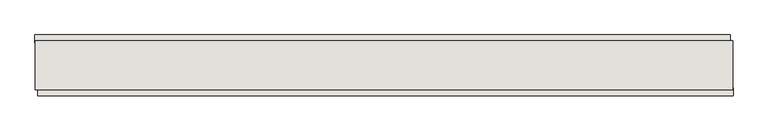
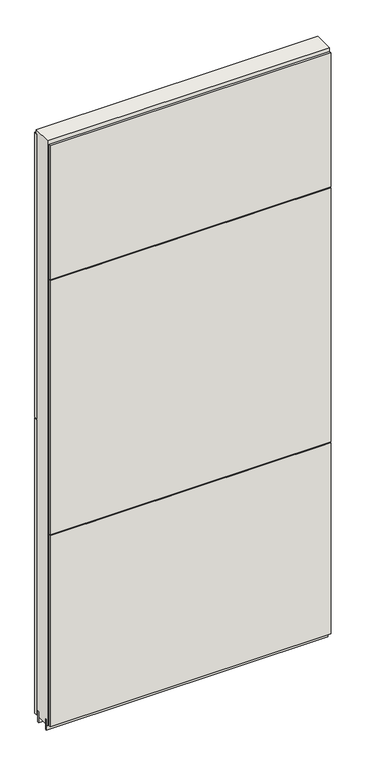
"""IFC4 building model written with IfcOpenShell, lengths in millimetres: wall geometry."""

import ifcopenshell
import ifcopenshell.guid

model = None  # the IFC model being written
_history = None  # IfcOwnerHistory: only IFC2X3 demands one
_inside = {}  # id of a spatial element -> (the spatial element, [elements in it])
_under = {}  # id of a project, library or spatial element -> (it, [spatial elements below it])
_declared = {}  # id of a project -> (the project, [libraries it declares])
_typed = {}  # id of a type object -> (the type object, [elements of that type])
_made_of = {}  # id of a material, layer set ... -> (it, [elements and type objects made of it])


def new_model(schema):
    """Start an empty IFC model of exactly this schema.

    Asked for "IFC4X3", IfcOpenShell would pick the latest addendum, in which some entities
    have other attributes; the version numbers below select the first issue.
    IFC2X3 requires an IfcOwnerHistory on every rooted entity: one is made here for all.
    """
    global model, _history
    if schema == "IFC4X3":
        model = ifcopenshell.file(schema_version=(4, 3, 0, 0))
    else:
        model = ifcopenshell.file(schema=schema)
    _inside.clear()
    _under.clear()
    _declared.clear()
    _typed.clear()
    _made_of.clear()
    _history = None
    if model.schema == "IFC2X3":
        org = make("IfcOrganization", Name="unknown")
        user = make(
            "IfcPersonAndOrganization",
            ThePerson=make("IfcPerson", FamilyName="unknown"),
            TheOrganization=org,
        )
        app = make(
            "IfcApplication",
            ApplicationDeveloper=org,
            Version="unknown",
            ApplicationFullName="unknown",
            ApplicationIdentifier="unknown",
        )
        _history = make(
            "IfcOwnerHistory",
            OwningUser=user,
            OwningApplication=app,
            ChangeAction="ADDED",
            CreationDate=0,
        )
    return model


def make(cls, **values):
    """One entity of the class cls with the attributes given. An attribute that is None is left unset."""
    return model.create_entity(
        cls, **{name: value for name, value in values.items() if value is not None}
    )


def rooted(cls, **values):
    """An entity with a GlobalId (a new one), such as an element, a storey or a relation."""
    return make(cls, GlobalId=ifcopenshell.guid.new(), OwnerHistory=_history, **values)


def si_unit(unit_type, name, prefix=None):
    """IfcSIUnit, for example si_unit("LENGTHUNIT", "METRE", prefix="MILLI")."""
    return make("IfcSIUnit", UnitType=unit_type, Prefix=prefix, Name=name)


def assignment(units):
    """IfcUnitAssignment: the units of a project."""
    return None if units is None else make("IfcUnitAssignment", Units=units)


def point(xyz):
    """IfcCartesianPoint."""
    return None if xyz is None else make("IfcCartesianPoint", Coordinates=xyz)


def direction(xyz):
    """IfcDirection."""
    return None if xyz is None else make("IfcDirection", DirectionRatios=xyz)


def frame(location, z_axis=None, x_axis=None):
    """IfcAxis2Placement3D, a coordinate frame: its origin and axes. An axis left out is left unset."""
    return make(
        "IfcAxis2Placement3D",
        Location=point(location),
        Axis=direction(z_axis),
        RefDirection=direction(x_axis),
    )


def origin():
    """The frame at (0, 0, 0) with its axes left unset."""
    return frame((0.0, 0.0, 0.0))


def place(relative_to, where):
    """IfcLocalPlacement: puts the frame where relative to a parent placement (None: the world)."""
    return make(
        "IfcLocalPlacement", PlacementRelTo=relative_to, RelativePlacement=where
    )


def context(
    kind, dimensions, precision=None, world=None, true_north=None, identifier=None
):
    """IfcGeometricRepresentationContext, for example the 3D "Model" context."""
    return make(
        "IfcGeometricRepresentationContext",
        ContextIdentifier=identifier,
        ContextType=kind,
        CoordinateSpaceDimension=dimensions,
        Precision=precision,
        WorldCoordinateSystem=world,
        TrueNorth=true_north,
    )


def project(units=None, contexts=None):
    """IfcProject with its units and contexts."""
    return rooted(
        "IfcProject",
        Name="project",
        RepresentationContexts=contexts,
        UnitsInContext=assignment(units),
    )


def spatial(cls, under=None, at=None, **own):
    """A site, building, storey or space (cls), placed at a placement, below another one or the project."""
    s = rooted(cls, ObjectPlacement=at, **own)
    if under is not None:
        _under.setdefault(under.id(), (under, []))[1].append(s)
    return s


def polyline(points):
    """IfcPolyline through the points."""
    return make("IfcPolyline", Points=[point(p) for p in points])


def outline(outer, holes=None, kind="AREA"):
    """IfcArbitraryClosedProfileDef: a profile drawn as a closed curve; with holes, ...WithVoids."""
    if holes is None:
        return make("IfcArbitraryClosedProfileDef", ProfileType=kind, OuterCurve=outer)
    return make(
        "IfcArbitraryProfileDefWithVoids",
        ProfileType=kind,
        OuterCurve=outer,
        InnerCurves=holes,
    )


def extrude(swept, where, along, depth):
    """IfcExtrudedAreaSolid: the profile swept, set in the frame where, extruded along a direction by depth."""
    return make(
        "IfcExtrudedAreaSolid",
        SweptArea=swept,
        Position=where,
        ExtrudedDirection=direction(along),
        Depth=depth,
    )


def shape(context_of_items, identifier, shape_type, items):
    """IfcShapeRepresentation: the items that make up one representation, for example the "Body"."""
    return make(
        "IfcShapeRepresentation",
        ContextOfItems=context_of_items,
        RepresentationIdentifier=identifier,
        RepresentationType=shape_type,
        Items=items,
    )


def source(mapping_origin, context_of_items, identifier, shape_type, items):
    """IfcRepresentationMap: a shape defined once, which mapped items show again and again."""
    return make(
        "IfcRepresentationMap",
        MappingOrigin=mapping_origin,
        MappedRepresentation=shape(context_of_items, identifier, shape_type, items),
    )


def transform(
    local_origin,
    x_axis=None,
    y_axis=None,
    z_axis=None,
    scale=None,
    scale2=None,
    scale3=None,
    uniform=True,
):
    """IfcCartesianTransformationOperator3D, or its non-uniform kind. x_axis, y_axis, z_axis: its Axis1, 2, 3."""
    if uniform:
        return make(
            "IfcCartesianTransformationOperator3D",
            Axis1=direction(x_axis),
            Axis2=direction(y_axis),
            LocalOrigin=point(local_origin),
            Scale=scale,
            Axis3=direction(z_axis),
        )
    return make(
        "IfcCartesianTransformationOperator3DnonUniform",
        Axis1=direction(x_axis),
        Axis2=direction(y_axis),
        LocalOrigin=point(local_origin),
        Scale=scale,
        Axis3=direction(z_axis),
        Scale2=scale2,
        Scale3=scale3,
    )


def mapped(mapping_source, mapping_target):
    """IfcMappedItem: shows the shape of a source again, moved by a transform."""
    return make(
        "IfcMappedItem", MappingSource=mapping_source, MappingTarget=mapping_target
    )


def made_of(thing, what):
    """Note that an element or type object is made of a material, layer set ...; save() writes the relation."""
    if what is not None:
        _made_of.setdefault(what.id(), (what, []))[1].append(thing)
    return thing


def element(
    cls,
    number,
    at=None,
    inside=None,
    cuts=None,
    type_object=None,
    material=None,
    context=None,
    identifier="Body",
    shape_type=None,
    held_by="IfcProductDefinitionShape",
    body=None,
    shapes=None,
    **own,
):
    """One element of the class cls, such as IfcWall. Its Tag is "e" and its number.

    at: its placement. inside: the storey or other place that contains it. cuts: it is an
    opening in that element (IfcRelVoidsElement). A single representation is given by context,
    identifier, shape_type and body (its items); several are given by shapes. held_by: the class
    of the entity that holds the representations. save() writes the other relations.
    """
    e = rooted(cls, Tag="e%d" % number, ObjectPlacement=at, **own)
    if body is not None:
        shapes = [shape(context, identifier, shape_type, body)]
    if shapes is not None:
        e.Representation = make(held_by, Representations=shapes)
    if inside is not None:
        _inside.setdefault(inside.id(), (inside, []))[1].append(e)
    if cuts is not None:
        rooted(
            "IfcRelVoidsElement", RelatingBuildingElement=cuts, RelatedOpeningElement=e
        )
    if type_object is not None:
        _typed.setdefault(type_object.id(), (type_object, []))[1].append(e)
    return made_of(e, material)


def aggregate(whole, parts):
    """IfcRelAggregates: a whole, such as a stair, and the parts it consists of."""
    return rooted("IfcRelAggregates", RelatingObject=whole, RelatedObjects=parts)


def save(model, path):
    """Write the relations noted so far, then the file.

    IfcRelAggregates (storeys below a building ...), IfcRelContainedInSpatialStructure (elements
    in a storey), IfcRelDefinesByType, IfcRelAssociatesMaterial and IfcRelDeclares: one each for
    every whole, place, type object, material and project.
    """
    for whole, parts in _under.values():
        aggregate(whole, parts)
    for where, things in _inside.values():
        rooted(
            "IfcRelContainedInSpatialStructure",
            RelatedElements=things,
            RelatingStructure=where,
        )
    for kind, things in _typed.values():
        rooted("IfcRelDefinesByType", RelatedObjects=things, RelatingType=kind)
    for what, things in _made_of.values():
        rooted("IfcRelAssociatesMaterial", RelatedObjects=things, RelatingMaterial=what)
    for by, libraries in _declared.values():
        rooted("IfcRelDeclares", RelatingContext=by, RelatedDefinitions=libraries)
    model.write(path)


def wall_3f512f48(model_context):
    return source(origin(), model_context, "Body", "SweptSolid", [
        extrude(outline(polyline([(79255.7068172, -53666.744711), (79253.1668172, -53666.744711), (79253.1668172, -53664.204711), (79255.7068172, -53664.204711), (79255.7068172, -53666.744711)])), frame((0.0, 0.0, 4419.6), z_axis=(0.0, 0.0, 1.0), x_axis=(1.0, 0.0, 0.0)), (0.0, 0.0, 1.0), 2.54),
        extrude(outline(polyline([(78086.8461882, -53614.674711), (79251.2461962, -53614.674711), (79251.2461962, -53627.374711), (78086.8461882, -53627.374711), (78086.8461882, -53614.674711)])), frame((0.0, 0.0, 5742.4000722), z_axis=(0.0, 0.0, 1.0), x_axis=(1.0, 0.0, 0.0)), (0.0, 0.0, 1.0), 1247.649905),
        extrude(outline(polyline([(78086.8461882, -53614.674711), (79251.2461962, -53614.674711), (79251.2461962, -53627.374711), (78086.8461882, -53627.374711), (78086.8461882, -53614.674711)])), frame((0.0, 0.0, 4445.0), z_axis=(0.0, 0.0, 1.0), x_axis=(1.0, 0.0, 0.0)), (0.0, 0.0, 1.0), 1293.400004),
        extrude(outline(polyline([(79256.1699354, -53716.274711), (78091.7699274, -53716.274711), (78091.7699274, -53703.574711), (79256.1699354, -53703.574711), (79256.1699354, -53716.274711)])), frame((0.0, 0.0, 6402.8000722), z_axis=(0.0, 0.0, 1.0), x_axis=(1.0, 0.0, 0.0)), (0.0, 0.0, 1.0), 587.2498034),
        extrude(outline(polyline([(79256.1699354, -53716.274711), (78091.7699274, -53716.274711), (78091.7699274, -53703.574711), (79256.1699354, -53703.574711), (79256.1699354, -53716.274711)])), frame((0.0, 0.0, 5285.2000722), z_axis=(0.0, 0.0, 1.0), x_axis=(1.0, 0.0, 0.0)), (0.0, 0.0, 1.0), 1113.5999572),
        extrude(outline(polyline([(79256.1699354, -53716.274711), (78091.7699274, -53716.274711), (78091.7699274, -53703.574711), (79256.1699354, -53703.574711), (79256.1699354, -53716.274711)])), frame((0.0, 0.0, 4445.0), z_axis=(0.0, 0.0, 1.0), x_axis=(1.0, 0.0, 0.0)), (0.0, 0.0, 1.0), 836.200004),
        extrude(outline(polyline([(79255.6956666, -53640.4033616), (78087.2956666, -53640.4033616), (78087.2956666, -53635.2998158), (79255.6956666, -53635.2998158), (79255.6956666, -53640.4033616)])), frame((0.0, 0.0, 4418.6602), z_axis=(0.0, 0.0, 1.0), x_axis=(1.0, 0.0, 0.0)), (0.0, 0.0, 1.0), 47.625),
        extrude(outline(polyline([(79255.6956666, -53640.4033616), (78087.2956666, -53640.4033616), (78087.2956666, -53635.2998158), (79255.6956666, -53635.2998158), (79255.6956666, -53640.4033616)])), frame((0.0, 0.0, 4418.6602), z_axis=(0.0, 0.0, 1.0), x_axis=(1.0, 0.0, 0.0)), (0.0, 0.0, 1.0), 47.625),
        extrude(outline(polyline([(78087.2956666, -53690.546035), (79255.6956666, -53690.546035), (79255.6956666, -53695.6248158), (78087.2956666, -53695.6248158), (78087.2956666, -53690.546035)])), frame((0.0, 0.0, 4418.6602), z_axis=(0.0, 0.0, 1.0), x_axis=(1.0, 0.0, 0.0)), (0.0, 0.0, 1.0), 47.625),
        extrude(outline(polyline([(78087.2956666, -53690.546035), (79255.6956666, -53690.546035), (79255.6956666, -53695.6248158), (78087.2956666, -53695.6248158), (78087.2956666, -53690.546035)])), frame((0.0, 0.0, 4418.6602), z_axis=(0.0, 0.0, 1.0), x_axis=(1.0, 0.0, 0.0)), (0.0, 0.0, 1.0), 47.625),
        extrude(outline(polyline([(79255.6956666, -53624.8384194), (79255.6956666, -53706.1171748), (78087.2956666, -53706.1171748), (78087.2956666, -53624.8384194), (79255.6956666, -53624.8384194)])), frame((0.0, 0.0, 4445.0), z_axis=(0.0, 0.0, 1.0), x_axis=(1.0, 0.0, 0.0)), (0.0, 0.0, 1.0), 2562.4536762),
    ])


if __name__ == "__main__":
    model = new_model("IFC4")
    model_context = context("Model", 3, world=origin())
    ifc_project = project(units=[si_unit("LENGTHUNIT", "METRE", prefix="MILLI")], contexts=[model_context])
    site = spatial("IfcSite", under=ifc_project)
    building = spatial("IfcBuilding", under=site)
    placement = place(None, origin())
    wall_shape = wall_3f512f48(model_context)
    element("IfcWall", 1, at=placement, inside=building, context=model_context, shape_type="MappedRepresentation", body=[
        mapped(wall_shape, transform((0.0, 0.0, 0.0), x_axis=(1.0, 0.0, 0.0), y_axis=(0.0, 1.0, 0.0), z_axis=(0.0, 0.0, 1.0))),
    ])
    save(model, "model.ifc")
